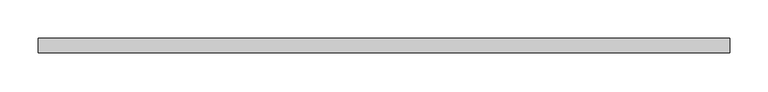
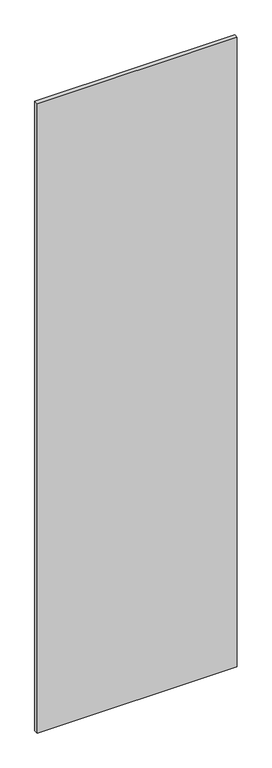
"""IFC4 building model written with IfcOpenShell, lengths in millimetres: proxy geometry."""

import ifcopenshell
import ifcopenshell.guid

model = None  # the IFC model being written
_history = None  # IfcOwnerHistory: only IFC2X3 demands one
_inside = {}  # id of a spatial element -> (the spatial element, [elements in it])
_under = {}  # id of a project, library or spatial element -> (it, [spatial elements below it])
_declared = {}  # id of a project -> (the project, [libraries it declares])
_typed = {}  # id of a type object -> (the type object, [elements of that type])
_made_of = {}  # id of a material, layer set ... -> (it, [elements and type objects made of it])


def new_model(schema):
    """Start an empty IFC model of exactly this schema.

    Asked for "IFC4X3", IfcOpenShell would pick the latest addendum, in which some entities
    have other attributes; the version numbers below select the first issue.
    IFC2X3 requires an IfcOwnerHistory on every rooted entity: one is made here for all.
    """
    global model, _history
    if schema == "IFC4X3":
        model = ifcopenshell.file(schema_version=(4, 3, 0, 0))
    else:
        model = ifcopenshell.file(schema=schema)
    _inside.clear()
    _under.clear()
    _declared.clear()
    _typed.clear()
    _made_of.clear()
    _history = None
    if model.schema == "IFC2X3":
        org = make("IfcOrganization", Name="unknown")
        user = make(
            "IfcPersonAndOrganization",
            ThePerson=make("IfcPerson", FamilyName="unknown"),
            TheOrganization=org,
        )
        app = make(
            "IfcApplication",
            ApplicationDeveloper=org,
            Version="unknown",
            ApplicationFullName="unknown",
            ApplicationIdentifier="unknown",
        )
        _history = make(
            "IfcOwnerHistory",
            OwningUser=user,
            OwningApplication=app,
            ChangeAction="ADDED",
            CreationDate=0,
        )
    return model


def make(cls, **values):
    """One entity of the class cls with the attributes given. An attribute that is None is left unset."""
    return model.create_entity(
        cls, **{name: value for name, value in values.items() if value is not None}
    )


def rooted(cls, **values):
    """An entity with a GlobalId (a new one), such as an element, a storey or a relation."""
    return make(cls, GlobalId=ifcopenshell.guid.new(), OwnerHistory=_history, **values)


def si_unit(unit_type, name, prefix=None):
    """IfcSIUnit, for example si_unit("LENGTHUNIT", "METRE", prefix="MILLI")."""
    return make("IfcSIUnit", UnitType=unit_type, Prefix=prefix, Name=name)


def assignment(units):
    """IfcUnitAssignment: the units of a project."""
    return None if units is None else make("IfcUnitAssignment", Units=units)


def point(xyz):
    """IfcCartesianPoint."""
    return None if xyz is None else make("IfcCartesianPoint", Coordinates=xyz)


def direction(xyz):
    """IfcDirection."""
    return None if xyz is None else make("IfcDirection", DirectionRatios=xyz)


def frame(location, z_axis=None, x_axis=None):
    """IfcAxis2Placement3D, a coordinate frame: its origin and axes. An axis left out is left unset."""
    return make(
        "IfcAxis2Placement3D",
        Location=point(location),
        Axis=direction(z_axis),
        RefDirection=direction(x_axis),
    )


def origin():
    """The frame at (0, 0, 0) with its axes left unset."""
    return frame((0.0, 0.0, 0.0))


def place(relative_to, where):
    """IfcLocalPlacement: puts the frame where relative to a parent placement (None: the world)."""
    return make(
        "IfcLocalPlacement", PlacementRelTo=relative_to, RelativePlacement=where
    )


def context(
    kind, dimensions, precision=None, world=None, true_north=None, identifier=None
):
    """IfcGeometricRepresentationContext, for example the 3D "Model" context."""
    return make(
        "IfcGeometricRepresentationContext",
        ContextIdentifier=identifier,
        ContextType=kind,
        CoordinateSpaceDimension=dimensions,
        Precision=precision,
        WorldCoordinateSystem=world,
        TrueNorth=true_north,
    )


def project(units=None, contexts=None):
    """IfcProject with its units and contexts."""
    return rooted(
        "IfcProject",
        Name="project",
        RepresentationContexts=contexts,
        UnitsInContext=assignment(units),
    )


def spatial(cls, under=None, at=None, **own):
    """A site, building, storey or space (cls), placed at a placement, below another one or the project."""
    s = rooted(cls, ObjectPlacement=at, **own)
    if under is not None:
        _under.setdefault(under.id(), (under, []))[1].append(s)
    return s


def polyline(points):
    """IfcPolyline through the points."""
    return make("IfcPolyline", Points=[point(p) for p in points])


def outline(outer, holes=None, kind="AREA"):
    """IfcArbitraryClosedProfileDef: a profile drawn as a closed curve; with holes, ...WithVoids."""
    if holes is None:
        return make("IfcArbitraryClosedProfileDef", ProfileType=kind, OuterCurve=outer)
    return make(
        "IfcArbitraryProfileDefWithVoids",
        ProfileType=kind,
        OuterCurve=outer,
        InnerCurves=holes,
    )


def extrude(swept, where, along, depth):
    """IfcExtrudedAreaSolid: the profile swept, set in the frame where, extruded along a direction by depth."""
    return make(
        "IfcExtrudedAreaSolid",
        SweptArea=swept,
        Position=where,
        ExtrudedDirection=direction(along),
        Depth=depth,
    )


def shape(context_of_items, identifier, shape_type, items):
    """IfcShapeRepresentation: the items that make up one representation, for example the "Body"."""
    return make(
        "IfcShapeRepresentation",
        ContextOfItems=context_of_items,
        RepresentationIdentifier=identifier,
        RepresentationType=shape_type,
        Items=items,
    )


def source(mapping_origin, context_of_items, identifier, shape_type, items):
    """IfcRepresentationMap: a shape defined once, which mapped items show again and again."""
    return make(
        "IfcRepresentationMap",
        MappingOrigin=mapping_origin,
        MappedRepresentation=shape(context_of_items, identifier, shape_type, items),
    )


def transform(
    local_origin,
    x_axis=None,
    y_axis=None,
    z_axis=None,
    scale=None,
    scale2=None,
    scale3=None,
    uniform=True,
):
    """IfcCartesianTransformationOperator3D, or its non-uniform kind. x_axis, y_axis, z_axis: its Axis1, 2, 3."""
    if uniform:
        return make(
            "IfcCartesianTransformationOperator3D",
            Axis1=direction(x_axis),
            Axis2=direction(y_axis),
            LocalOrigin=point(local_origin),
            Scale=scale,
            Axis3=direction(z_axis),
        )
    return make(
        "IfcCartesianTransformationOperator3DnonUniform",
        Axis1=direction(x_axis),
        Axis2=direction(y_axis),
        LocalOrigin=point(local_origin),
        Scale=scale,
        Axis3=direction(z_axis),
        Scale2=scale2,
        Scale3=scale3,
    )


def mapped(mapping_source, mapping_target):
    """IfcMappedItem: shows the shape of a source again, moved by a transform."""
    return make(
        "IfcMappedItem", MappingSource=mapping_source, MappingTarget=mapping_target
    )


def made_of(thing, what):
    """Note that an element or type object is made of a material, layer set ...; save() writes the relation."""
    if what is not None:
        _made_of.setdefault(what.id(), (what, []))[1].append(thing)
    return thing


def element(
    cls,
    number,
    at=None,
    inside=None,
    cuts=None,
    type_object=None,
    material=None,
    context=None,
    identifier="Body",
    shape_type=None,
    held_by="IfcProductDefinitionShape",
    body=None,
    shapes=None,
    **own,
):
    """One element of the class cls, such as IfcWall. Its Tag is "e" and its number.

    at: its placement. inside: the storey or other place that contains it. cuts: it is an
    opening in that element (IfcRelVoidsElement). A single representation is given by context,
    identifier, shape_type and body (its items); several are given by shapes. held_by: the class
    of the entity that holds the representations. save() writes the other relations.
    """
    e = rooted(cls, Tag="e%d" % number, ObjectPlacement=at, **own)
    if body is not None:
        shapes = [shape(context, identifier, shape_type, body)]
    if shapes is not None:
        e.Representation = make(held_by, Representations=shapes)
    if inside is not None:
        _inside.setdefault(inside.id(), (inside, []))[1].append(e)
    if cuts is not None:
        rooted(
            "IfcRelVoidsElement", RelatingBuildingElement=cuts, RelatedOpeningElement=e
        )
    if type_object is not None:
        _typed.setdefault(type_object.id(), (type_object, []))[1].append(e)
    return made_of(e, material)


def aggregate(whole, parts):
    """IfcRelAggregates: a whole, such as a stair, and the parts it consists of."""
    return rooted("IfcRelAggregates", RelatingObject=whole, RelatedObjects=parts)


def save(model, path):
    """Write the relations noted so far, then the file.

    IfcRelAggregates (storeys below a building ...), IfcRelContainedInSpatialStructure (elements
    in a storey), IfcRelDefinesByType, IfcRelAssociatesMaterial and IfcRelDeclares: one each for
    every whole, place, type object, material and project.
    """
    for whole, parts in _under.values():
        aggregate(whole, parts)
    for where, things in _inside.values():
        rooted(
            "IfcRelContainedInSpatialStructure",
            RelatedElements=things,
            RelatingStructure=where,
        )
    for kind, things in _typed.values():
        rooted("IfcRelDefinesByType", RelatedObjects=things, RelatingType=kind)
    for what, things in _made_of.values():
        rooted("IfcRelAssociatesMaterial", RelatedObjects=things, RelatingMaterial=what)
    for by, libraries in _declared.values():
        rooted("IfcRelDeclares", RelatingContext=by, RelatedDefinitions=libraries)
    model.write(path)


def specialty_equipment_357217ab(model_context):
    return source(origin(), model_context, "Body", "SweptSolid", [
        extrude(outline(polyline([(450.5079114, 9.525), (450.5079114, -9.525), (-450.5079114, -9.525), (-450.5079114, 9.525), (450.5079114, 9.525)])), frame((0.0, 0.0, 3.175), z_axis=(0.0, 0.0, 1.0), x_axis=(1.0, 0.0, 0.0)), (0.0, 0.0, 1.0), 2996.3618001),
    ])


if __name__ == "__main__":
    model = new_model("IFC4")
    model_context = context("Model", 3, world=origin())
    ifc_project = project(units=[si_unit("LENGTHUNIT", "METRE", prefix="MILLI")], contexts=[model_context])
    site = spatial("IfcSite", under=ifc_project)
    building = spatial("IfcBuilding", under=site)
    placement = place(None, origin())
    specialty_equipment_shape = specialty_equipment_357217ab(model_context)
    element("IfcBuildingElementProxy", 1, Name="Specialty Equipment", at=placement, inside=building, context=model_context, shape_type="MappedRepresentation", body=[
        mapped(specialty_equipment_shape, transform((0.0, 0.0, 0.0), x_axis=(1.0, 0.0, 0.0), y_axis=(0.0, 1.0, 0.0), z_axis=(0.0, 0.0, 1.0))),
    ])
    save(model, "model.ifc")
